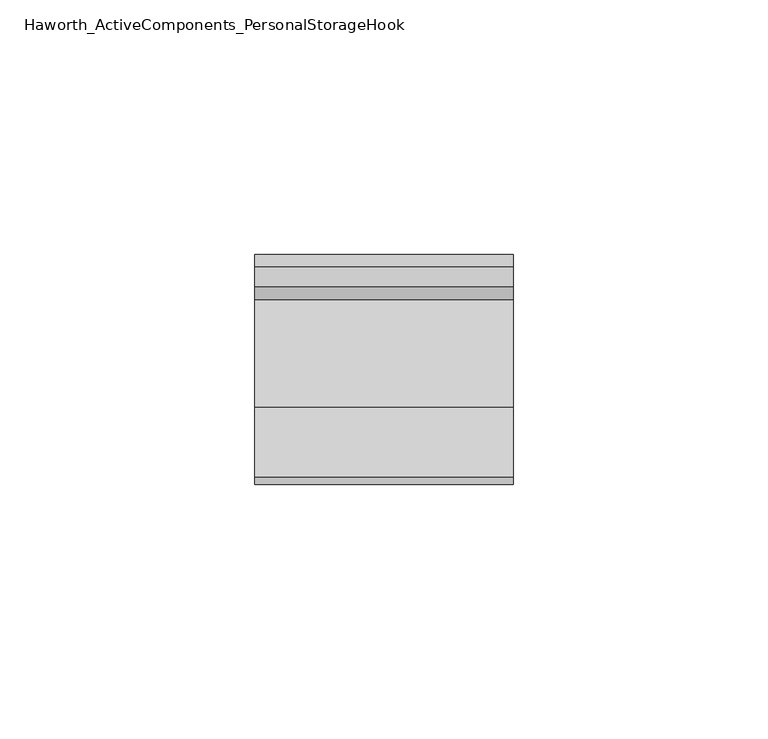
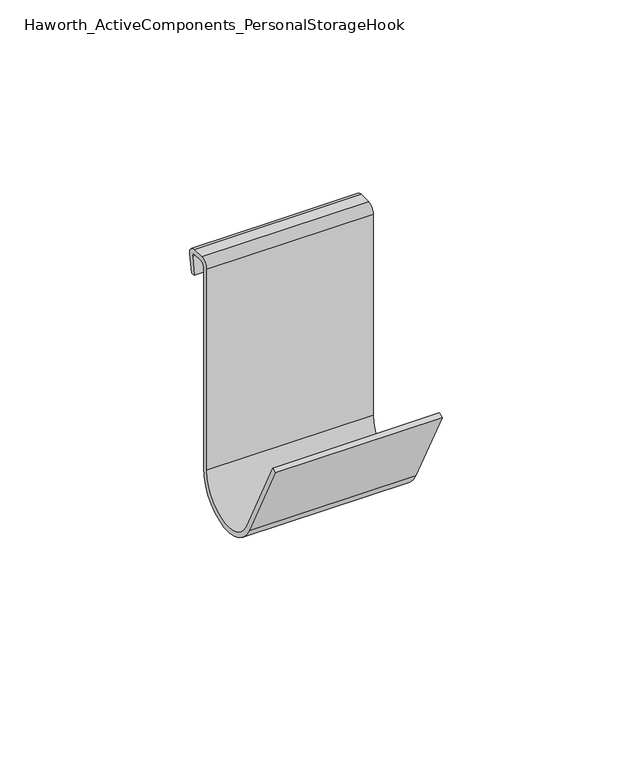
"""IFC4 building model written with IfcOpenShell, lengths in millimetres: furniture geometry, Haworth_ActiveComponents_PersonalStorageHook."""

from ifc_helpers import new_model, si_unit, point, frame, frame_2d, origin, place, context, project, spatial, polyline, circle_curve, trimmed, segment, composite_curve, outline, extrude, source, transform, mapped, element, save


def haworth_activecomponents_personalstoragehook_9674b66a(model_context):
    return source(origin(), model_context, "Body", "SweptSolid", [
        extrude(outline(composite_curve([segment(trimmed(circle_curve(frame_2d((-523.6682972, 654.8718074)), 2.4802197), [point((-526.1485169, 654.8718074))], [point((-523.6682972, 657.3520271))], False, "CARTESIAN"), True, "CONTINUOUS"), segment(polyline([(-523.6682972, 657.3520271), (-519.8051463, 657.3520271)]), True, "CONTINUOUS"), segment(trimmed(circle_curve(frame_2d((-519.8051463, 654.8315158)), 2.5205114), [point((-519.8051463, 657.3520271))], [point((-517.3229263, 654.3938386))], False, "CARTESIAN"), True, "CONTINUOUS"), segment(polyline([(-517.3229263, 654.3938386), (-518.3053502, 648.8221694), (-519.8062349, 649.0868401), (-518.8194647, 654.682809)]), True, "CONTINUOUS"), segment(trimmed(circle_curve(frame_2d((-519.7803792, 654.8522527)), 0.9757396), [point((-518.8194647, 654.682809))], [point((-519.7803792, 655.8279922))], True, "CARTESIAN"), True, "CONTINUOUS"), segment(polyline([(-519.7803792, 655.8279922), (-523.5989172, 655.8279922)]), True, "CONTINUOUS"), segment(trimmed(circle_curve(frame_2d((-523.5989172, 654.8023926)), 1.0255996), [point((-523.5989172, 655.8279922))], [point((-524.6245169, 654.8023926))], True, "CARTESIAN"), True, "CONTINUOUS"), segment(polyline([(-524.6245169, 654.8023926), (-524.6245169, 590.0331037)]), True, "CONTINUOUS"), segment(trimmed(circle_curve(frame_2d((-537.3245169, 590.0331037)), 12.7), [point((-524.6245169, 590.0331037))], [point((-548.6403014, 584.2674277))], False, "CARTESIAN"), True, "CONTINUOUS"), segment(polyline([(-548.6403014, 584.2674277), (-562.4473519, 611.3653096), (-561.0894769, 612.0571913), (-547.3087742, 585.0110691)]), True, "CONTINUOUS"), segment(trimmed(circle_curve(frame_2d((-537.3384622, 590.0912023)), 11.1899453), [point((-547.3087742, 585.0110691))], [point((-526.1485169, 590.0912023))], True, "CARTESIAN"), True, "CONTINUOUS"), segment(polyline([(-526.1485169, 590.0912023), (-526.1485169, 654.8718074)]), True, "CONTINUOUS")], self_intersect=False)), frame((190.5, 0.0, 0.0), z_axis=(1.0, 0.0, 0.0), x_axis=(0.0, 1.0, 0.0)), (0.0, 0.0, 1.0), 50.8),
    ])


if __name__ == "__main__":
    model = new_model("IFC4")
    model_context = context("Model", 3, world=origin())
    ifc_project = project(units=[si_unit("LENGTHUNIT", "METRE", prefix="MILLI")], contexts=[model_context])
    site = spatial("IfcSite", under=ifc_project)
    building = spatial("IfcBuilding", under=site)
    placement = place(None, origin())
    haworth_activecomponents_personalstoragehook_shape = haworth_activecomponents_personalstoragehook_9674b66a(model_context)
    element("IfcFurniture", 1, ObjectType="Haworth_ActiveComponents_PersonalStorageHook", at=placement, inside=building, context=model_context, shape_type="MappedRepresentation", body=[
        mapped(haworth_activecomponents_personalstoragehook_shape, transform((0.0, 0.0, 0.0), x_axis=(1.0, 0.0, 0.0), y_axis=(0.0, 1.0, 0.0), z_axis=(0.0, 0.0, 1.0))),
    ])
    save(model, "model.ifc")
